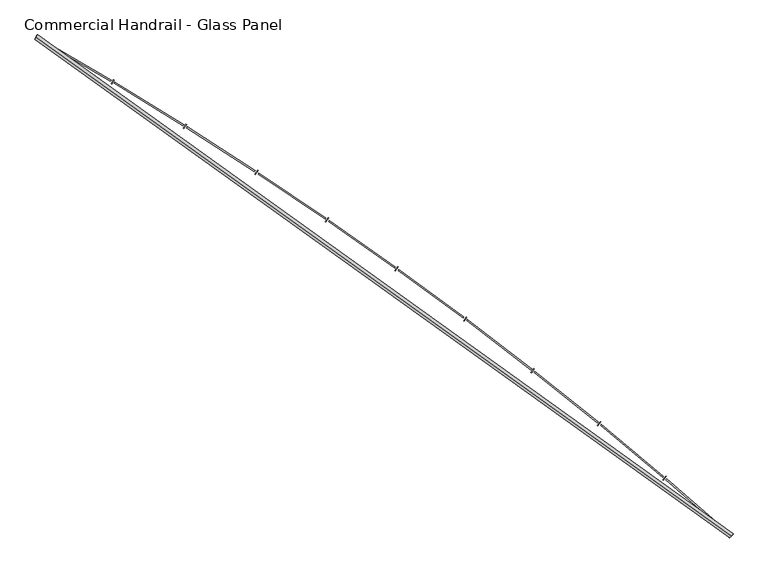
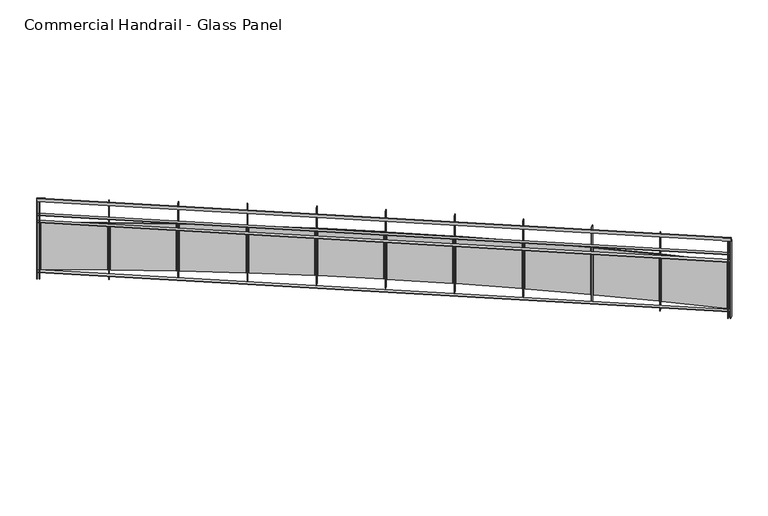
"""IFC4 building model written with IfcOpenShell, lengths in millimetres: railing geometry, Commercial Handrail - Glass Panel."""

import ifcopenshell
import ifcopenshell.guid

model = None  # the IFC model being written
_history = None  # IfcOwnerHistory: only IFC2X3 demands one
_inside = {}  # id of a spatial element -> (the spatial element, [elements in it])
_under = {}  # id of a project, library or spatial element -> (it, [spatial elements below it])
_declared = {}  # id of a project -> (the project, [libraries it declares])
_typed = {}  # id of a type object -> (the type object, [elements of that type])
_made_of = {}  # id of a material, layer set ... -> (it, [elements and type objects made of it])


def new_model(schema):
    """Start an empty IFC model of exactly this schema.

    Asked for "IFC4X3", IfcOpenShell would pick the latest addendum, in which some entities
    have other attributes; the version numbers below select the first issue.
    IFC2X3 requires an IfcOwnerHistory on every rooted entity: one is made here for all.
    """
    global model, _history
    if schema == "IFC4X3":
        model = ifcopenshell.file(schema_version=(4, 3, 0, 0))
    else:
        model = ifcopenshell.file(schema=schema)
    _inside.clear()
    _under.clear()
    _declared.clear()
    _typed.clear()
    _made_of.clear()
    _history = None
    if model.schema == "IFC2X3":
        org = make("IfcOrganization", Name="unknown")
        user = make(
            "IfcPersonAndOrganization",
            ThePerson=make("IfcPerson", FamilyName="unknown"),
            TheOrganization=org,
        )
        app = make(
            "IfcApplication",
            ApplicationDeveloper=org,
            Version="unknown",
            ApplicationFullName="unknown",
            ApplicationIdentifier="unknown",
        )
        _history = make(
            "IfcOwnerHistory",
            OwningUser=user,
            OwningApplication=app,
            ChangeAction="ADDED",
            CreationDate=0,
        )
    return model


def make(cls, **values):
    """One entity of the class cls with the attributes given. An attribute that is None is left unset."""
    return model.create_entity(
        cls, **{name: value for name, value in values.items() if value is not None}
    )


def rooted(cls, **values):
    """An entity with a GlobalId (a new one), such as an element, a storey or a relation."""
    return make(cls, GlobalId=ifcopenshell.guid.new(), OwnerHistory=_history, **values)


def si_unit(unit_type, name, prefix=None):
    """IfcSIUnit, for example si_unit("LENGTHUNIT", "METRE", prefix="MILLI")."""
    return make("IfcSIUnit", UnitType=unit_type, Prefix=prefix, Name=name)


def assignment(units):
    """IfcUnitAssignment: the units of a project."""
    return None if units is None else make("IfcUnitAssignment", Units=units)


def point(xyz):
    """IfcCartesianPoint."""
    return None if xyz is None else make("IfcCartesianPoint", Coordinates=xyz)


def direction(xyz):
    """IfcDirection."""
    return None if xyz is None else make("IfcDirection", DirectionRatios=xyz)


def frame(location, z_axis=None, x_axis=None):
    """IfcAxis2Placement3D, a coordinate frame: its origin and axes. An axis left out is left unset."""
    return make(
        "IfcAxis2Placement3D",
        Location=point(location),
        Axis=direction(z_axis),
        RefDirection=direction(x_axis),
    )


def origin():
    """The frame at (0, 0, 0) with its axes left unset."""
    return frame((0.0, 0.0, 0.0))


def place(relative_to, where):
    """IfcLocalPlacement: puts the frame where relative to a parent placement (None: the world)."""
    return make(
        "IfcLocalPlacement", PlacementRelTo=relative_to, RelativePlacement=where
    )


def context(
    kind, dimensions, precision=None, world=None, true_north=None, identifier=None
):
    """IfcGeometricRepresentationContext, for example the 3D "Model" context."""
    return make(
        "IfcGeometricRepresentationContext",
        ContextIdentifier=identifier,
        ContextType=kind,
        CoordinateSpaceDimension=dimensions,
        Precision=precision,
        WorldCoordinateSystem=world,
        TrueNorth=true_north,
    )


def project(units=None, contexts=None):
    """IfcProject with its units and contexts."""
    return rooted(
        "IfcProject",
        Name="project",
        RepresentationContexts=contexts,
        UnitsInContext=assignment(units),
    )


def spatial(cls, under=None, at=None, **own):
    """A site, building, storey or space (cls), placed at a placement, below another one or the project."""
    s = rooted(cls, ObjectPlacement=at, **own)
    if under is not None:
        _under.setdefault(under.id(), (under, []))[1].append(s)
    return s


def polyline(points):
    """IfcPolyline through the points."""
    return make("IfcPolyline", Points=[point(p) for p in points])


def circle_curve(where, radius):
    """IfcCircle in the frame where."""
    return make("IfcCircle", Position=where, Radius=radius)


def ellipse_curve(where, semi_axis1, semi_axis2):
    """IfcEllipse in the frame where."""
    return make(
        "IfcEllipse", Position=where, SemiAxis1=semi_axis1, SemiAxis2=semi_axis2
    )


def trimmed(basis, trim1, trim2, sense, master):
    """IfcTrimmedCurve: the piece of a basis curve between two trims."""
    return make(
        "IfcTrimmedCurve",
        BasisCurve=basis,
        Trim1=trim1,
        Trim2=trim2,
        SenseAgreement=sense,
        MasterRepresentation=master,
    )


def outline(outer, holes=None, kind="AREA"):
    """IfcArbitraryClosedProfileDef: a profile drawn as a closed curve; with holes, ...WithVoids."""
    if holes is None:
        return make("IfcArbitraryClosedProfileDef", ProfileType=kind, OuterCurve=outer)
    return make(
        "IfcArbitraryProfileDefWithVoids",
        ProfileType=kind,
        OuterCurve=outer,
        InnerCurves=holes,
    )


def extrude(swept, where, along, depth):
    """IfcExtrudedAreaSolid: the profile swept, set in the frame where, extruded along a direction by depth."""
    return make(
        "IfcExtrudedAreaSolid",
        SweptArea=swept,
        Position=where,
        ExtrudedDirection=direction(along),
        Depth=depth,
    )


def shape(context_of_items, identifier, shape_type, items):
    """IfcShapeRepresentation: the items that make up one representation, for example the "Body"."""
    return make(
        "IfcShapeRepresentation",
        ContextOfItems=context_of_items,
        RepresentationIdentifier=identifier,
        RepresentationType=shape_type,
        Items=items,
    )


def source(mapping_origin, context_of_items, identifier, shape_type, items):
    """IfcRepresentationMap: a shape defined once, which mapped items show again and again."""
    return make(
        "IfcRepresentationMap",
        MappingOrigin=mapping_origin,
        MappedRepresentation=shape(context_of_items, identifier, shape_type, items),
    )


def transform(
    local_origin,
    x_axis=None,
    y_axis=None,
    z_axis=None,
    scale=None,
    scale2=None,
    scale3=None,
    uniform=True,
):
    """IfcCartesianTransformationOperator3D, or its non-uniform kind. x_axis, y_axis, z_axis: its Axis1, 2, 3."""
    if uniform:
        return make(
            "IfcCartesianTransformationOperator3D",
            Axis1=direction(x_axis),
            Axis2=direction(y_axis),
            LocalOrigin=point(local_origin),
            Scale=scale,
            Axis3=direction(z_axis),
        )
    return make(
        "IfcCartesianTransformationOperator3DnonUniform",
        Axis1=direction(x_axis),
        Axis2=direction(y_axis),
        LocalOrigin=point(local_origin),
        Scale=scale,
        Axis3=direction(z_axis),
        Scale2=scale2,
        Scale3=scale3,
    )


def mapped(mapping_source, mapping_target):
    """IfcMappedItem: shows the shape of a source again, moved by a transform."""
    return make(
        "IfcMappedItem", MappingSource=mapping_source, MappingTarget=mapping_target
    )


def made_of(thing, what):
    """Note that an element or type object is made of a material, layer set ...; save() writes the relation."""
    if what is not None:
        _made_of.setdefault(what.id(), (what, []))[1].append(thing)
    return thing


def element(
    cls,
    number,
    at=None,
    inside=None,
    cuts=None,
    type_object=None,
    material=None,
    context=None,
    identifier="Body",
    shape_type=None,
    held_by="IfcProductDefinitionShape",
    body=None,
    shapes=None,
    **own,
):
    """One element of the class cls, such as IfcWall. Its Tag is "e" and its number.

    at: its placement. inside: the storey or other place that contains it. cuts: it is an
    opening in that element (IfcRelVoidsElement). A single representation is given by context,
    identifier, shape_type and body (its items); several are given by shapes. held_by: the class
    of the entity that holds the representations. save() writes the other relations.
    """
    e = rooted(cls, Tag="e%d" % number, ObjectPlacement=at, **own)
    if body is not None:
        shapes = [shape(context, identifier, shape_type, body)]
    if shapes is not None:
        e.Representation = make(held_by, Representations=shapes)
    if inside is not None:
        _inside.setdefault(inside.id(), (inside, []))[1].append(e)
    if cuts is not None:
        rooted(
            "IfcRelVoidsElement", RelatingBuildingElement=cuts, RelatedOpeningElement=e
        )
    if type_object is not None:
        _typed.setdefault(type_object.id(), (type_object, []))[1].append(e)
    return made_of(e, material)


def aggregate(whole, parts):
    """IfcRelAggregates: a whole, such as a stair, and the parts it consists of."""
    return rooted("IfcRelAggregates", RelatingObject=whole, RelatedObjects=parts)


def save(model, path):
    """Write the relations noted so far, then the file.

    IfcRelAggregates (storeys below a building ...), IfcRelContainedInSpatialStructure (elements
    in a storey), IfcRelDefinesByType, IfcRelAssociatesMaterial and IfcRelDeclares: one each for
    every whole, place, type object, material and project.
    """
    for whole, parts in _under.values():
        aggregate(whole, parts)
    for where, things in _inside.values():
        rooted(
            "IfcRelContainedInSpatialStructure",
            RelatedElements=things,
            RelatingStructure=where,
        )
    for kind, things in _typed.values():
        rooted("IfcRelDefinesByType", RelatedObjects=things, RelatingType=kind)
    for what, things in _made_of.values():
        rooted("IfcRelAssociatesMaterial", RelatedObjects=things, RelatingMaterial=what)
    for by, libraries in _declared.values():
        rooted("IfcRelDeclares", RelatingContext=by, RelatedDefinitions=libraries)
    model.write(path)


def plane_surface(at):
    """IfcPlane: the flat surface through the origin of the frame at, square to its z axis."""
    return make("IfcPlane", Position=at)


def cylinder_surface(at, radius):
    """IfcCylindricalSurface: all points at the distance radius from the z axis of the frame at."""
    return make("IfcCylindricalSurface", Position=at, Radius=radius)


def revolved_surface(curve, axis_point, axis_direction):
    """IfcSurfaceOfRevolution: the curve turned about the line through axis_point along axis_direction."""
    return make(
        "IfcSurfaceOfRevolution",
        SweptCurve=make("IfcArbitraryOpenProfileDef", ProfileType="CURVE", Curve=curve),
        AxisPosition=make("IfcAxis1Placement", Location=point(axis_point), Axis=direction(axis_direction)),
    )


def advanced_brep(points, edges, surfaces, faces):
    """IfcAdvancedBrep: a solid bounded by faces that lie on surfaces and meet in shared edges.

    An edge is (start, end): straight between two places in points (the first is 0);
    or (start, end, curve); or (start, end, curve, False) where it runs against its curve.
    A face is (place in surfaces, loops), or (place, loops, False) where it looks against
    its surface's normal. A loop lists edges by number (the first is 1), with a minus sign
    where the edge is run from its end to its start. The first loop is the outer one.
    """
    corners = [point(p) for p in points]
    vertices = [make("IfcVertexPoint", VertexGeometry=c) for c in corners]
    made = []
    for start, end, *more in edges:
        made.append(
            make(
                "IfcEdgeCurve",
                EdgeStart=vertices[start],
                EdgeEnd=vertices[end],
                EdgeGeometry=more[0] if more else make("IfcPolyline", Points=[corners[start], corners[end]]),
                SameSense=more[1] if len(more) > 1 else True,
            )
        )
    hull = []
    for where, loops, *sense in faces:
        bounds = []
        for j, loop in enumerate(loops):
            ring = [make("IfcOrientedEdge", EdgeElement=made[abs(k) - 1], Orientation=k > 0) for k in loop]
            bounds.append(
                make(
                    "IfcFaceOuterBound" if j == 0 else "IfcFaceBound",
                    Bound=make("IfcEdgeLoop", EdgeList=ring),
                    Orientation=True,
                )
            )
        hull.append(make("IfcAdvancedFace", Bounds=bounds, FaceSurface=surfaces[where], SameSense=sense[0] if sense else True))
    return make("IfcAdvancedBrep", Outer=make("IfcClosedShell", CfsFaces=hull))


def commercial_handrail_glass_panel_1f611d05(model_context):
    return source(origin(), model_context, "Body", "SolidModel", [
        advanced_brep(
        [(167549.0741026, -21421.502679, 19682.5), (161013.6212135, -16726.1286002, 19682.5), (161013.6212135, -16726.1286002, 19717.5), (167549.0741026, -21421.502679, 19717.5)],
        [
            (0, 1, circle_curve(frame((141448.4989992, -50854.6714836, 19682.5), z_axis=(0.0, 0.0, 1.0), x_axis=(0.4973475894068907, 0.8675513675346002, 0.0)), 39338.9304203)),
            (1, 2, ellipse_curve(frame((161013.6212135, -16726.1286002, 19700.0), z_axis=(0.867551367534597, -0.4973475894068962, 0.0), x_axis=(-0.4973475894068962, -0.867551367534597, 0.0)), 25.0, 17.5)),
            (2, 3, circle_curve(frame((141448.4989992, -50854.6714836, 19717.5), z_axis=(0.0, 0.0, -1.0), x_axis=(0.4973475894068907, 0.8675513675346002, 0.0)), 39338.9304203)),
            (3, 0, ellipse_curve(frame((167549.0741026, -21421.502679, 19700.0), z_axis=(-0.748194434626209, 0.6634795309535686, 0.0), x_axis=(-0.6634795309535686, -0.748194434626209, 0.0)), 25.0, 17.5)),
            (2, 1, ellipse_curve(frame((161013.6212135, -16726.1286002, 19700.0), z_axis=(0.867551367534597, -0.4973475894068962, 0.0), x_axis=(-0.4973475894068962, -0.867551367534597, 0.0)), 25.0, 17.5)),
            (0, 3, ellipse_curve(frame((167549.0741026, -21421.502679, 19700.0), z_axis=(-0.748194434626209, 0.6634795309535686, 0.0), x_axis=(-0.6634795309535686, -0.748194434626209, 0.0)), 25.0, 17.5)),
        ],
        [
            revolved_surface(trimmed(ellipse_curve(frame((161013.6212135, -16726.1286002, 19700.0), z_axis=(-0.8675513675346002, 0.4973475894068907, 0.0), x_axis=(0.0, 0.0, -1.0)), 17.5, 25.0), [point((161013.6212135, -16726.1286002, 19717.5))], [point((161013.6212135, -16726.1286002, 19682.5))], True, "CARTESIAN"), (141448.4989992, -50854.6714836, 19700.0), (0.0, 0.0, -1.0)),
            revolved_surface(trimmed(ellipse_curve(frame((161013.6212135, -16726.1286002, 19700.0), z_axis=(-0.8675513675346002, 0.4973475894068907, 0.0), x_axis=(0.0, 0.0, -1.0)), 17.5, 25.0), [point((161013.6212135, -16726.1286002, 19682.5))], [point((161013.6212135, -16726.1286002, 19717.5))], True, "CARTESIAN"), (141448.4989992, -50854.6714836, 19700.0), (0.0, 0.0, -1.0)),
            plane_surface(frame((161013.6212135, -16726.1286002, 19700.0), z_axis=(-0.8675513675346002, 0.4973475894068907, 0.0), x_axis=(0.4973475894068907, 0.8675513675346002, 0.0))),
            plane_surface(frame((167549.0741026, -21421.502679, 19700.0), z_axis=(0.7481944346262088, -0.663479530953569, 0.0), x_axis=(0.663479530953569, 0.7481944346262088, 0.0))),
        ],
        [
            (0, [[1, 2, 3, 4]]),
            (1, [[-3, 5, -1, 6]]),
            (2, [[-2, -5]]),
            (3, [[-6, -4]]),
        ],
    ),
        advanced_brep(
        [(167564.0023921, -21404.6683042, 19500.0), (161024.8115343, -16706.6086944, 19500.0), (161002.4308928, -16745.6485059, 19500.0), (167534.1458132, -21438.3370538, 19500.0), (167564.0023921, -21404.6683042, 19494.0), (161024.8115343, -16706.6086944, 19494.0), (167534.1458132, -21438.3370538, 19494.0), (161002.4308928, -16745.6485059, 19494.0)],
        [
            (0, 1, circle_curve(frame((141448.4989992, -50854.6714836, 19500.0), z_axis=(0.0, 0.0, 1.0), x_axis=(0.4973475894068907, 0.8675513675346002, 0.0)), 39361.4304203)),
            (1, 2),
            (2, 3, circle_curve(frame((141448.4989992, -50854.6714836, 19500.0), z_axis=(0.0, 0.0, -1.0), x_axis=(0.4973475894068907, 0.8675513675346002, 0.0)), 39316.4304203)),
            (3, 0),
            (4, 5, circle_curve(frame((141448.4989992, -50854.6714836, 19494.0), z_axis=(0.0, 0.0, 1.0), x_axis=(0.4973475894068907, 0.8675513675346002, 0.0)), 39361.4304203)),
            (5, 1),
            (0, 4),
            (6, 7, circle_curve(frame((141448.4989992, -50854.6714836, 19494.0), z_axis=(0.0, 0.0, 1.0), x_axis=(0.4973475894068907, 0.8675513675346002, 0.0)), 39316.4304203)),
            (7, 5),
            (4, 6),
            (2, 7),
            (6, 3),
        ],
        [
            plane_surface(frame((141448.4989992, -50854.6714836, 19500.0), z_axis=(0.0, 0.0, 1.0), x_axis=(0.4973475894068907, 0.8675513675346002, 0.0))),
            cylinder_surface(frame((141448.4989992, -50854.6714836, 19500.0), z_axis=(0.0, 0.0, -1.0), x_axis=(0.4973475894068907, 0.8675513675346002, 0.0)), 39361.4304203),
            plane_surface(frame((141448.4989992, -50854.6714836, 19494.0), z_axis=(0.0, 0.0, -1.0), x_axis=(0.4973475894068907, 0.8675513675346002, 0.0))),
            revolved_surface(polyline([(161002.43089281995, -16745.64850588978, 19494.0), (161002.43089281995, -16745.64850588978, 19500.0)]), (141448.4989992, -50854.6714836, 19500.0), (0.0, 0.0, -1.0)),
            plane_surface(frame((161013.6212135, -16726.1286002, 19500.0), z_axis=(-0.8675513675346002, 0.4973475894068907, 0.0), x_axis=(0.4973475894068907, 0.8675513675346002, 0.0))),
            plane_surface(frame((167549.0741026, -21421.502679, 19500.0), z_axis=(0.7481944346262088, -0.663479530953569, 0.0), x_axis=(0.663479530953569, 0.7481944346262088, 0.0))),
        ],
        [
            (0, [[1, 2, 3, 4]]),
            (1, [[5, 6, -1, 7]]),
            (2, [[8, 9, -5, 10]]),
            (3, [[-3, 11, -8, 12]]),
            (4, [[-2, -6, -9, -11]]),
            (5, [[-12, -10, -7, -4]]),
        ],
    ),
        advanced_brep(
        [(167564.0023921, -21404.6683042, 19400.0), (161024.8115343, -16706.6086944, 19400.0), (161002.4308928, -16745.6485059, 19400.0), (167534.1458132, -21438.3370538, 19400.0), (167564.0023921, -21404.6683042, 19394.0), (161024.8115343, -16706.6086944, 19394.0), (167534.1458132, -21438.3370538, 19394.0), (161002.4308928, -16745.6485059, 19394.0)],
        [
            (0, 1, circle_curve(frame((141448.4989992, -50854.6714836, 19400.0), z_axis=(0.0, 0.0, 1.0), x_axis=(0.4973475894068907, 0.8675513675346002, 0.0)), 39361.4304203)),
            (1, 2),
            (2, 3, circle_curve(frame((141448.4989992, -50854.6714836, 19400.0), z_axis=(0.0, 0.0, -1.0), x_axis=(0.4973475894068907, 0.8675513675346002, 0.0)), 39316.4304203)),
            (3, 0),
            (4, 5, circle_curve(frame((141448.4989992, -50854.6714836, 19394.0), z_axis=(0.0, 0.0, 1.0), x_axis=(0.4973475894068907, 0.8675513675346002, 0.0)), 39361.4304203)),
            (5, 1),
            (0, 4),
            (6, 7, circle_curve(frame((141448.4989992, -50854.6714836, 19394.0), z_axis=(0.0, 0.0, 1.0), x_axis=(0.4973475894068907, 0.8675513675346002, 0.0)), 39316.4304203)),
            (7, 5),
            (4, 6),
            (2, 7),
            (6, 3),
        ],
        [
            plane_surface(frame((141448.4989992, -50854.6714836, 19400.0), z_axis=(0.0, 0.0, 1.0), x_axis=(0.4973475894068907, 0.8675513675346002, 0.0))),
            cylinder_surface(frame((141448.4989992, -50854.6714836, 19400.0), z_axis=(0.0, 0.0, -1.0), x_axis=(0.4973475894068907, 0.8675513675346002, 0.0)), 39361.4304203),
            plane_surface(frame((141448.4989992, -50854.6714836, 19394.0), z_axis=(0.0, 0.0, -1.0), x_axis=(0.4973475894068907, 0.8675513675346002, 0.0))),
            revolved_surface(polyline([(161002.43089281995, -16745.64850588978, 19394.0), (161002.43089281995, -16745.64850588978, 19400.0)]), (141448.4989992, -50854.6714836, 19400.0), (0.0, 0.0, -1.0)),
            plane_surface(frame((161013.6212135, -16726.1286002, 19400.0), z_axis=(-0.8675513675346002, 0.4973475894068907, 0.0), x_axis=(0.4973475894068907, 0.8675513675346002, 0.0))),
            plane_surface(frame((167549.0741026, -21421.502679, 19400.0), z_axis=(0.7481944346262088, -0.663479530953569, 0.0), x_axis=(0.663479530953569, 0.7481944346262088, 0.0))),
        ],
        [
            (0, [[1, 2, 3, 4]]),
            (1, [[5, 6, -1, 7]]),
            (2, [[8, 9, -5, 10]]),
            (3, [[-3, 11, -8, 12]]),
            (4, [[-2, -6, -9, -11]]),
            (5, [[-12, -10, -7, -4]]),
        ],
    ),
        advanced_brep(
        [(167564.0023921, -21404.6683042, 18700.0), (161024.8115343, -16706.6086944, 18700.0), (161002.4308928, -16745.6485059, 18700.0), (167534.1458132, -21438.3370538, 18700.0), (167564.0023921, -21404.6683042, 18694.0), (161024.8115343, -16706.6086944, 18694.0), (167534.1458132, -21438.3370538, 18694.0), (161002.4308928, -16745.6485059, 18694.0)],
        [
            (0, 1, circle_curve(frame((141448.4989992, -50854.6714836, 18700.0), z_axis=(0.0, 0.0, 1.0), x_axis=(0.4973475894068907, 0.8675513675346002, 0.0)), 39361.4304203)),
            (1, 2),
            (2, 3, circle_curve(frame((141448.4989992, -50854.6714836, 18700.0), z_axis=(0.0, 0.0, -1.0), x_axis=(0.4973475894068907, 0.8675513675346002, 0.0)), 39316.4304203)),
            (3, 0),
            (4, 5, circle_curve(frame((141448.4989992, -50854.6714836, 18694.0), z_axis=(0.0, 0.0, 1.0), x_axis=(0.4973475894068907, 0.8675513675346002, 0.0)), 39361.4304203)),
            (5, 1),
            (0, 4),
            (6, 7, circle_curve(frame((141448.4989992, -50854.6714836, 18694.0), z_axis=(0.0, 0.0, 1.0), x_axis=(0.4973475894068907, 0.8675513675346002, 0.0)), 39316.4304203)),
            (7, 5),
            (4, 6),
            (2, 7),
            (6, 3),
        ],
        [
            plane_surface(frame((141448.4989992, -50854.6714836, 18700.0), z_axis=(0.0, 0.0, 1.0), x_axis=(0.4973475894068907, 0.8675513675346002, 0.0))),
            cylinder_surface(frame((141448.4989992, -50854.6714836, 18700.0), z_axis=(0.0, 0.0, -1.0), x_axis=(0.4973475894068907, 0.8675513675346002, 0.0)), 39361.4304203),
            plane_surface(frame((141448.4989992, -50854.6714836, 18694.0), z_axis=(0.0, 0.0, -1.0), x_axis=(0.4973475894068907, 0.8675513675346002, 0.0))),
            revolved_surface(polyline([(161002.43089281995, -16745.64850588978, 18694.0), (161002.43089281995, -16745.64850588978, 18700.0)]), (141448.4989992, -50854.6714836, 18700.0), (0.0, 0.0, -1.0)),
            plane_surface(frame((161013.6212135, -16726.1286002, 18700.0), z_axis=(-0.8675513675346002, 0.4973475894068907, 0.0), x_axis=(0.4973475894068907, 0.8675513675346002, 0.0))),
            plane_surface(frame((167549.0741026, -21421.502679, 18700.0), z_axis=(0.7481944346262088, -0.663479530953569, 0.0), x_axis=(0.663479530953569, 0.7481944346262088, 0.0))),
        ],
        [
            (0, [[1, 2, 3, 4]]),
            (1, [[5, 6, -1, 7]]),
            (2, [[8, 9, -5, 10]]),
            (3, [[-3, 11, -8, 12]]),
            (4, [[-2, -6, -9, -11]]),
            (5, [[-12, -10, -7, -4]]),
        ],
    ),
        extrude(outline(polyline([(167508.9444824, -21416.0082801), (167538.7747877, -21382.3162501), (167543.2670583, -21386.2936241), (167513.436753, -21419.9856541), (167508.9444824, -21416.0082801)])), frame((0.0, 0.0, 18600.0), z_axis=(0.0, 0.0, 1.0), x_axis=(1.0, 0.0, 0.0)), (0.0, 0.0, 1.0), 1082.1192282),
        extrude(outline(polyline([(166942.1525945, -20883.992877), (167516.2667104, -21381.9818146), (167508.4037272, -21391.0467743), (166934.2896113, -20893.0578368), (166942.1525945, -20883.992877)])), frame((0.0, 0.0, 18720.0), z_axis=(0.0, 0.0, 1.0), x_axis=(1.0, 0.0, 0.0)), (0.0, 0.0, 1.0), 660.0),
        extrude(outline(polyline([(166904.9299151, -20892.1643286), (166934.0689354, -20857.8726752), (166938.6411559, -20861.7578779), (166909.5021355, -20896.0495313), (166904.9299151, -20892.1643286)])), frame((0.0, 0.0, 18600.0), z_axis=(0.0, 0.0, 1.0), x_axis=(1.0, 0.0, 0.0)), (0.0, 0.0, 1.0), 1082.1192282),
        extrude(outline(polyline([(166327.4368564, -20371.7844669), (166911.5587116, -20857.9960035), (166903.8816873, -20867.2189802), (166319.7598321, -20381.0074436), (166327.4368564, -20371.7844669)])), frame((0.0, 0.0, 18720.0), z_axis=(0.0, 0.0, 1.0), x_axis=(1.0, 0.0, 0.0)), (0.0, 0.0, 1.0), 660.0),
        extrude(outline(polyline([(166290.3880375, -20380.7111404), (166318.8237226, -20345.8340446), (166323.4740021, -20349.6254693), (166295.0383169, -20384.5025651), (166290.3880375, -20380.7111404)])), frame((0.0, 0.0, 18600.0), z_axis=(0.0, 0.0, 1.0), x_axis=(1.0, 0.0, 0.0)), (0.0, 0.0, 1.0), 1082.1192282),
        extrude(outline(polyline([(165702.4326258, -19872.1820192), (166296.3206611, -20346.4150858), (166288.8327706, -20355.7922653), (165694.9447352, -19881.5591987), (165702.4326258, -19872.1820192)])), frame((0.0, 0.0, 18720.0), z_axis=(0.0, 0.0, 1.0), x_axis=(1.0, 0.0, 0.0)), (0.0, 0.0, 1.0), 660.0),
        extrude(outline(polyline([(165665.5729886, -19881.860223), (165693.2935792, -19846.4121081), (165698.0199946, -19850.1081868), (165670.2994039, -19885.5563018), (165665.5729886, -19881.860223)])), frame((0.0, 0.0, 18600.0), z_axis=(0.0, 0.0, 1.0), x_axis=(1.0, 0.0, 0.0)), (0.0, 0.0, 1.0), 1082.1192282),
        extrude(outline(polyline([(165067.3983683, -19385.3921406), (165670.8069859, -19847.4506219), (165663.5113257, -19856.9781264), (165060.102708, -19394.9196451), (165067.3983683, -19385.3921406)])), frame((0.0, 0.0, 18720.0), z_axis=(0.0, 0.0, 1.0), x_axis=(1.0, 0.0, 0.0)), (0.0, 0.0, 1.0), 660.0),
        extrude(outline(polyline([(165030.7431559, -19395.8178725), (165057.7371883, -19359.8133976), (165062.537785, -19363.412602), (165035.5437525, -19399.4170768), (165030.7431559, -19395.8178725)])), frame((0.0, 0.0, 18600.0), z_axis=(0.0, 0.0, 1.0), x_axis=(1.0, 0.0, 0.0)), (0.0, 0.0, 1.0), 1082.1192282),
        extrude(outline(polyline([(164422.5966974, -18911.6161393), (165035.2763625, -19361.3089545), (165028.1759496, -19370.982844), (164415.4962846, -18921.2900288), (164422.5966974, -18911.6161393)])), frame((0.0, 0.0, 18720.0), z_axis=(0.0, 0.0, 1.0), x_axis=(1.0, 0.0, 0.0)), (0.0, 0.0, 1.0), 660.0),
        extrude(outline(polyline([(164386.1610683, -18922.7850878), (164412.4173794, -18886.2391424), (164417.2901721, -18889.7399839), (164391.033861, -18926.2859293), (164386.1610683, -18922.7850878)])), frame((0.0, 0.0, 18600.0), z_axis=(0.0, 0.0, 1.0), x_axis=(1.0, 0.0, 0.0)), (0.0, 0.0, 1.0), 1082.1192282),
        extrude(outline(polyline([(163768.294266, -18451.0499418), (164389.9916095, -18888.1911239), (164383.0893803, -18898.0073978), (163761.3920368, -18460.8662157), (163768.294266, -18451.0499418)])), frame((0.0, 0.0, 18720.0), z_axis=(0.0, 0.0, 1.0), x_axis=(1.0, 0.0, 0.0)), (0.0, 0.0, 1.0), 660.0),
        extrude(outline(polyline([(163732.0932877, -18462.957488), (163757.6010195, -18425.8851854), (163762.5439932, -18429.2862163), (163737.0362614, -18466.3585189), (163732.0932877, -18462.957488)])), frame((0.0, 0.0, 18600.0), z_axis=(0.0, 0.0, 1.0), x_axis=(1.0, 0.0, 0.0)), (0.0, 0.0, 1.0), 1082.1192282),
        extrude(outline(polyline([(163104.7616557, -18003.8840116), (163735.2195795, -18428.2927843), (163728.5183883, -18438.2473831), (163098.0604645, -18013.8386104), (163104.7616557, -18003.8840116)])), frame((0.0, 0.0, 18720.0), z_axis=(0.0, 0.0, 1.0), x_axis=(1.0, 0.0, 0.0)), (0.0, 0.0, 1.0), 660.0),
        extrude(outline(polyline([(163068.810299, -18016.5252312), (163093.5589027, -17978.9419023), (163098.5700133, -17982.2417162), (163073.8214095, -18019.8250451), (163068.810299, -18016.5252312)])), frame((0.0, 0.0, 18600.0), z_axis=(0.0, 0.0, 1.0), x_axis=(1.0, 0.0, 0.0)), (0.0, 0.0, 1.0), 1082.1192282),
        extrude(outline(polyline([(162432.2732653, -17570.3032708), (163071.2310484, -17981.8041231), (163064.7336665, -17991.8929302), (162425.7758834, -17580.3920779), (162432.2732653, -17570.3032708)])), frame((0.0, 0.0, 18720.0), z_axis=(0.0, 0.0, 1.0), x_axis=(1.0, 0.0, 0.0)), (0.0, 0.0, 1.0), 660.0),
        extrude(outline(polyline([(162396.5863975, -17583.6729362), (162420.5656387, -17545.5941233), (162425.6428138, -17548.7913555), (162401.6635725, -17586.8701683), (162396.5863975, -17583.6729362)])), frame((0.0, 0.0, 18600.0), z_axis=(0.0, 0.0, 1.0), x_axis=(1.0, 0.0, 0.0)), (0.0, 0.0, 1.0), 1082.1192282),
        extrude(outline(polyline([(161751.1071971, -17150.4870233), (162398.3006035, -17548.9097821), (162392.0097178, -17559.1286254), (161744.8163114, -17160.7058665), (161751.1071971, -17150.4870233)])), frame((0.0, 0.0, 18720.0), z_axis=(0.0, 0.0, 1.0), x_axis=(1.0, 0.0, 0.0)), (0.0, 0.0, 1.0), 660.0),
        extrude(outline(polyline([(161715.6995763, -17164.5796055), (161738.8995386, -17126.0210558), (161744.0406785, -17129.1143841), (161720.8407163, -17167.6729338), (161715.6995763, -17164.5796055)])), frame((0.0, 0.0, 18600.0), z_axis=(0.0, 0.0, 1.0), x_axis=(1.0, 0.0, 0.0)), (0.0, 0.0, 1.0), 1082.1192282),
        extrude(outline(polyline([(161061.5451422, -16744.6088808), (161716.70653, -17129.7887816), (161710.6247421, -17140.1334351), (161055.4633543, -16754.9535343), (161061.5451422, -16744.6088808)])), frame((0.0, 0.0, 18720.0), z_axis=(0.0, 0.0, 1.0), x_axis=(1.0, 0.0, 0.0)), (0.0, 0.0, 1.0), 660.0),
        extrude(outline(polyline([(161026.431411, -16759.418552), (161048.8425001, -16720.3962112), (161054.0454789, -16723.3843564), (161031.6343898, -16762.4066972), (161026.431411, -16759.418552)])), frame((0.0, 0.0, 18600.0), z_axis=(0.0, 0.0, 1.0), x_axis=(1.0, 0.0, 0.0)), (0.0, 0.0, 1.0), 1082.1192282),
        extrude(outline(polyline([(167531.9012299, -21436.3466152), (167561.7578088, -21402.6778657), (167566.2469754, -21406.6587428), (167536.3903965, -21440.3274924), (167531.9012299, -21436.3466152)])), frame((0.0, 0.0, 18600.0), z_axis=(0.0, 0.0, 1.0), x_axis=(1.0, 0.0, 0.0)), (0.0, 0.0, 1.0), 1082.1192282),
        extrude(outline(polyline([(160999.8282387, -16744.1564632), (161022.2088802, -16705.1166516), (161027.4141884, -16708.1007372), (161005.0335469, -16747.1405487), (160999.8282387, -16744.1564632)])), frame((0.0, 0.0, 18600.0), z_axis=(0.0, 0.0, 1.0), x_axis=(1.0, 0.0, 0.0)), (0.0, 0.0, 1.0), 1082.1192282),
    ])


if __name__ == "__main__":
    model = new_model("IFC4")
    model_context = context("Model", 3, world=origin())
    ifc_project = project(units=[si_unit("LENGTHUNIT", "METRE", prefix="MILLI")], contexts=[model_context])
    site = spatial("IfcSite", under=ifc_project)
    building = spatial("IfcBuilding", under=site)
    placement = place(None, origin())
    commercial_handrail_glass_panel_shape = commercial_handrail_glass_panel_1f611d05(model_context)
    element("IfcRailing", 1, ObjectType="Commercial Handrail - Glass Panel", at=placement, inside=building, context=model_context, shape_type="MappedRepresentation", body=[
        mapped(commercial_handrail_glass_panel_shape, transform((0.0, 0.0, 0.0), x_axis=(1.0, 0.0, 0.0), y_axis=(0.0, 1.0, 0.0), z_axis=(0.0, 0.0, 1.0))),
    ])
    save(model, "model.ifc")
